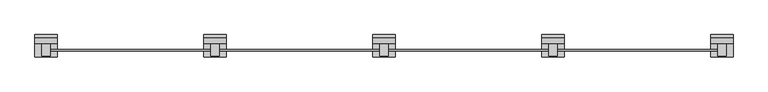
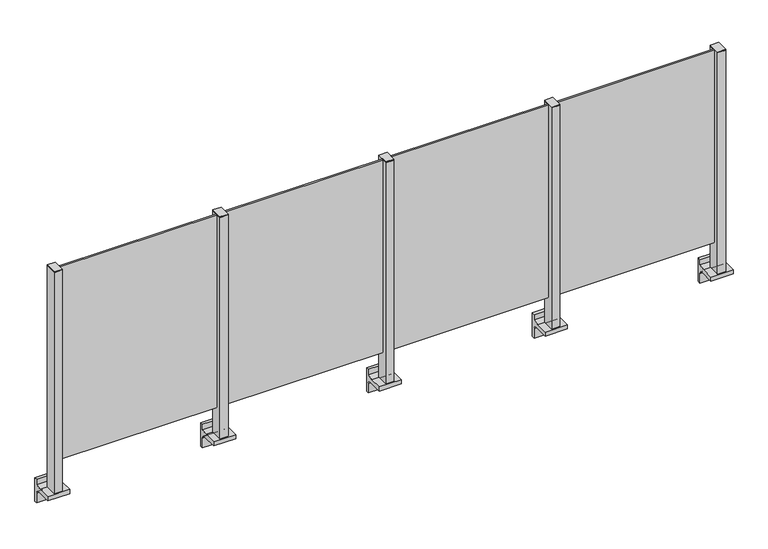
"""IFC4 building model written with IfcOpenShell, lengths in millimetres: railing geometry."""

from ifc_helpers import new_model, si_unit, point, frame, frame_2d, origin, place, context, project, spatial, polyline, circle_curve, trimmed, segment, composite_curve, outline, extrude, source, transform, mapped, element, save


def railing_8a3ebbaf(model_context):
    return source(origin(), model_context, "Body", "SweptSolid", [
        extrude(outline(polyline([(74710.0, 4811.9094929), (74710.0, 4821.9094929), (75590.0, 4821.9094929), (75590.0, 4811.9094929), (74710.0, 4811.9094929)])), frame((0.0, 0.0, 95.0), z_axis=(0.0, 0.0, 1.0), x_axis=(1.0, 0.0, 0.0)), (0.0, 0.0, 1.0), 1105.0),
        extrude(outline(composite_curve([segment(polyline([(4850.1846828, -70.0), (4884.1846828, -63.0), (4884.1846828, -32.5), (4900.1846828, -32.5), (4900.1846828, -167.5), (4884.1846828, -167.5), (4884.1846828, -113.5)]), True, "CONTINUOUS"), segment(trimmed(circle_curve(frame_2d((4864.1846828, -113.5)), 20.0), [point((4884.1846828, -113.5))], [point((4864.1846828, -93.5))], True, "CARTESIAN"), True, "CONTINUOUS"), segment(polyline([(4864.1846828, -93.5), (4780.1846828, -93.5), (4780.1846828, -70.0), (4850.1846828, -70.0)]), True, "CONTINUOUS")], self_intersect=False)), frame((74640.0, 0.0, 0.0), z_axis=(1.0, 0.0, 0.0), x_axis=(0.0, 1.0, 0.0)), (0.0, 0.0, 1.0), 120.0),
        extrude(outline(polyline([(74722.5, 4850.1846828), (74722.5, 4785.1846828), (74677.5, 4785.1846828), (74677.5, 4850.1846828), (74722.5, 4850.1846828)])), frame((0.0, 0.0, -70.0), z_axis=(0.0, 0.0, 1.0), x_axis=(1.0, 0.0, 0.0)), (0.0, 0.0, 1.0), 1270.0),
        extrude(outline(polyline([(74722.5, 4850.1846828), (74722.5, 4785.1846828), (74677.5, 4785.1846828), (74677.5, 4850.1846828), (74722.5, 4850.1846828)])), frame((0.0, 0.0, 1200.0), z_axis=(0.0, 0.0, 1.0), x_axis=(1.0, 0.0, 0.0)), (0.0, 0.0, 1.0), 5.0),
        extrude(outline(polyline([(73810.0, 4811.9094929), (73810.0, 4821.9094929), (74690.0, 4821.9094929), (74690.0, 4811.9094929), (73810.0, 4811.9094929)])), frame((0.0, 0.0, 95.0), z_axis=(0.0, 0.0, 1.0), x_axis=(1.0, 0.0, 0.0)), (0.0, 0.0, 1.0), 1105.0),
        extrude(outline(composite_curve([segment(polyline([(4850.1846828, -70.0), (4884.1846828, -63.0), (4884.1846828, -32.5), (4900.1846828, -32.5), (4900.1846828, -167.5), (4884.1846828, -167.5), (4884.1846828, -113.5)]), True, "CONTINUOUS"), segment(trimmed(circle_curve(frame_2d((4864.1846828, -113.5)), 20.0), [point((4884.1846828, -113.5))], [point((4864.1846828, -93.5))], True, "CARTESIAN"), True, "CONTINUOUS"), segment(polyline([(4864.1846828, -93.5), (4780.1846828, -93.5), (4780.1846828, -70.0), (4850.1846828, -70.0)]), True, "CONTINUOUS")], self_intersect=False)), frame((73740.0, 0.0, 0.0), z_axis=(1.0, 0.0, 0.0), x_axis=(0.0, 1.0, 0.0)), (0.0, 0.0, 1.0), 120.0),
        extrude(outline(polyline([(73822.5, 4850.1846828), (73822.5, 4785.1846828), (73777.5, 4785.1846828), (73777.5, 4850.1846828), (73822.5, 4850.1846828)])), frame((0.0, 0.0, -70.0), z_axis=(0.0, 0.0, 1.0), x_axis=(1.0, 0.0, 0.0)), (0.0, 0.0, 1.0), 1270.0),
        extrude(outline(polyline([(73822.5, 4850.1846828), (73822.5, 4785.1846828), (73777.5, 4785.1846828), (73777.5, 4850.1846828), (73822.5, 4850.1846828)])), frame((0.0, 0.0, 1200.0), z_axis=(0.0, 0.0, 1.0), x_axis=(1.0, 0.0, 0.0)), (0.0, 0.0, 1.0), 5.0),
        extrude(outline(polyline([(72910.0, 4811.9094929), (72910.0, 4821.9094929), (73790.0, 4821.9094929), (73790.0, 4811.9094929), (72910.0, 4811.9094929)])), frame((0.0, 0.0, 95.0), z_axis=(0.0, 0.0, 1.0), x_axis=(1.0, 0.0, 0.0)), (0.0, 0.0, 1.0), 1105.0),
        extrude(outline(composite_curve([segment(polyline([(4850.1846828, -70.0), (4884.1846828, -63.0), (4884.1846828, -32.5), (4900.1846828, -32.5), (4900.1846828, -167.5), (4884.1846828, -167.5), (4884.1846828, -113.5)]), True, "CONTINUOUS"), segment(trimmed(circle_curve(frame_2d((4864.1846828, -113.5)), 20.0), [point((4884.1846828, -113.5))], [point((4864.1846828, -93.5))], True, "CARTESIAN"), True, "CONTINUOUS"), segment(polyline([(4864.1846828, -93.5), (4780.1846828, -93.5), (4780.1846828, -70.0), (4850.1846828, -70.0)]), True, "CONTINUOUS")], self_intersect=False)), frame((72840.0, 0.0, 0.0), z_axis=(1.0, 0.0, 0.0), x_axis=(0.0, 1.0, 0.0)), (0.0, 0.0, 1.0), 120.0),
        extrude(outline(polyline([(72922.5, 4850.1846828), (72922.5, 4785.1846828), (72877.5, 4785.1846828), (72877.5, 4850.1846828), (72922.5, 4850.1846828)])), frame((0.0, 0.0, -70.0), z_axis=(0.0, 0.0, 1.0), x_axis=(1.0, 0.0, 0.0)), (0.0, 0.0, 1.0), 1270.0),
        extrude(outline(polyline([(72922.5, 4850.1846828), (72922.5, 4785.1846828), (72877.5, 4785.1846828), (72877.5, 4850.1846828), (72922.5, 4850.1846828)])), frame((0.0, 0.0, 1200.0), z_axis=(0.0, 0.0, 1.0), x_axis=(1.0, 0.0, 0.0)), (0.0, 0.0, 1.0), 5.0),
        extrude(outline(polyline([(72010.0, 4811.9094929), (72010.0, 4821.9094929), (72890.0, 4821.9094929), (72890.0, 4811.9094929), (72010.0, 4811.9094929)])), frame((0.0, 0.0, 95.0), z_axis=(0.0, 0.0, 1.0), x_axis=(1.0, 0.0, 0.0)), (0.0, 0.0, 1.0), 1105.0),
        extrude(outline(composite_curve([segment(polyline([(4850.1846828, -70.0), (4884.1846828, -63.0), (4884.1846828, -32.5), (4900.1846828, -32.5), (4900.1846828, -167.5), (4884.1846828, -167.5), (4884.1846828, -113.5)]), True, "CONTINUOUS"), segment(trimmed(circle_curve(frame_2d((4864.1846828, -113.5)), 20.0), [point((4884.1846828, -113.5))], [point((4864.1846828, -93.5))], True, "CARTESIAN"), True, "CONTINUOUS"), segment(polyline([(4864.1846828, -93.5), (4780.1846828, -93.5), (4780.1846828, -70.0), (4850.1846828, -70.0)]), True, "CONTINUOUS")], self_intersect=False)), frame((75540.0, 0.0, 0.0), z_axis=(1.0, 0.0, 0.0), x_axis=(0.0, 1.0, 0.0)), (0.0, 0.0, 1.0), 120.0),
        extrude(outline(polyline([(75622.5, 4850.1846828), (75622.5, 4785.1846828), (75577.5, 4785.1846828), (75577.5, 4850.1846828), (75622.5, 4850.1846828)])), frame((0.0, 0.0, -70.0), z_axis=(0.0, 0.0, 1.0), x_axis=(1.0, 0.0, 0.0)), (0.0, 0.0, 1.0), 1270.0),
        extrude(outline(polyline([(75622.5, 4850.1846828), (75622.5, 4785.1846828), (75577.5, 4785.1846828), (75577.5, 4850.1846828), (75622.5, 4850.1846828)])), frame((0.0, 0.0, 1200.0), z_axis=(0.0, 0.0, 1.0), x_axis=(1.0, 0.0, 0.0)), (0.0, 0.0, 1.0), 5.0),
        extrude(outline(composite_curve([segment(polyline([(4850.1846828, -70.0), (4884.1846828, -63.0), (4884.1846828, -32.5), (4900.1846828, -32.5), (4900.1846828, -167.5), (4884.1846828, -167.5), (4884.1846828, -113.5)]), True, "CONTINUOUS"), segment(trimmed(circle_curve(frame_2d((4864.1846828, -113.5)), 20.0), [point((4884.1846828, -113.5))], [point((4864.1846828, -93.5))], True, "CARTESIAN"), True, "CONTINUOUS"), segment(polyline([(4864.1846828, -93.5), (4780.1846828, -93.5), (4780.1846828, -70.0), (4850.1846828, -70.0)]), True, "CONTINUOUS")], self_intersect=False)), frame((71940.0, 0.0, 0.0), z_axis=(1.0, 0.0, 0.0), x_axis=(0.0, 1.0, 0.0)), (0.0, 0.0, 1.0), 120.0),
        extrude(outline(polyline([(72022.5, 4850.1846828), (72022.5, 4785.1846828), (71977.5, 4785.1846828), (71977.5, 4850.1846828), (72022.5, 4850.1846828)])), frame((0.0, 0.0, -70.0), z_axis=(0.0, 0.0, 1.0), x_axis=(1.0, 0.0, 0.0)), (0.0, 0.0, 1.0), 1270.0),
        extrude(outline(polyline([(72022.5, 4850.1846828), (72022.5, 4785.1846828), (71977.5, 4785.1846828), (71977.5, 4850.1846828), (72022.5, 4850.1846828)])), frame((0.0, 0.0, 1200.0), z_axis=(0.0, 0.0, 1.0), x_axis=(1.0, 0.0, 0.0)), (0.0, 0.0, 1.0), 5.0),
    ])


if __name__ == "__main__":
    model = new_model("IFC4")
    model_context = context("Model", 3, world=origin())
    ifc_project = project(units=[si_unit("LENGTHUNIT", "METRE", prefix="MILLI")], contexts=[model_context])
    site = spatial("IfcSite", under=ifc_project)
    building = spatial("IfcBuilding", under=site)
    placement = place(None, origin())
    railing_shape = railing_8a3ebbaf(model_context)
    element("IfcRailing", 1, at=placement, inside=building, context=model_context, shape_type="MappedRepresentation", body=[
        mapped(railing_shape, transform((0.0, 0.0, 0.0), x_axis=(1.0, 0.0, 0.0), y_axis=(0.0, 1.0, 0.0), z_axis=(0.0, 0.0, 1.0))),
    ])
    save(model, "model.ifc")
